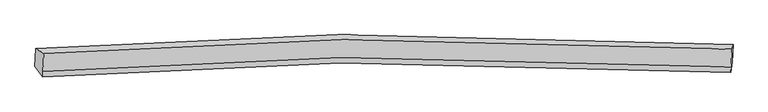
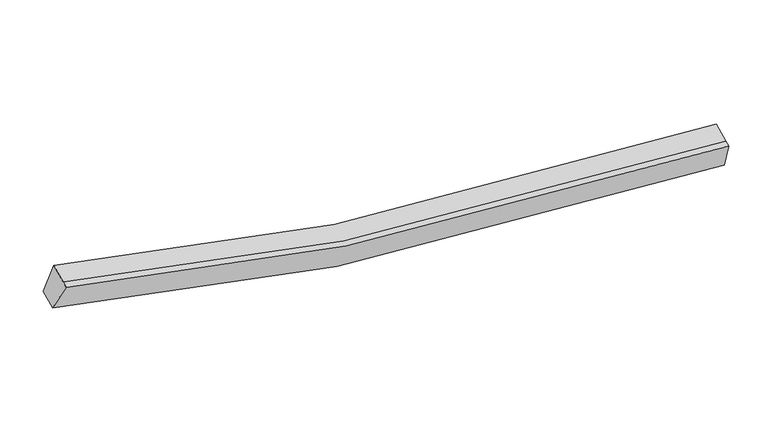
"""IFC4 building model written with IfcOpenShell, lengths in millimetres: proxy geometry."""

from ifc_helpers import new_model, si_unit, frame, origin, place, context, project, spatial, source, transform, mapped, element, save
from ifc_brep_helpers import plane_surface, spline_curve, spline_surface, advanced_brep


def generic_models_4b53236f(model_context):
    return source(origin(), model_context, "Body", "AdvancedBrep", [
        advanced_brep(
        [(-8195.5076106, -1870.6757988, 4160.7752526), (-8002.9335093, -1983.0787036, 4840.4587935), (8384.5840568, -1883.5046032, 2728.8560652), (8412.8820987, -1769.918726, 2016.6102343), (-8022.3004781, -2414.097945, 4674.502821), (8365.6677722, -2309.125482, 2558.1953096), (-8028.1658218, -2544.6333972, 4624.2425638), (8359.6056594, -2444.0401036, 2506.2489344), (-8214.569935, -2294.9150629, 3997.4297846), (8393.8197743, -2194.1579901, 1853.2647664)],
        [
            (0, 1),
            (1, 2, spline_curve(3, [(-8002.9335093, -1983.0787036, 4840.4587935), (-5663.087698882, -1798.767851995, 4123.283802872), (-3297.555819648, -1688.981557191, 3585.304170762), (2148.708980177, -1608.669027507, 2768.133090097), (5245.682957373, -1685.263956492, 2602.245145432), (8384.5840568, -1883.5046032, 2728.8560652)], [4, 2, 4], [0.0, 24.062958310129176, 54.80606355980204])),
            (2, 3),
            (3, 0, spline_curve(3, [(8412.8820987, -1769.918726, 2016.6102343), (5231.659813088, -1569.842594986, 1892.103641145), (2092.938078243, -1492.56586401, 2062.330828182), (-3426.728645099, -1573.719610136, 2891.221732476), (-5824.136813425, -1684.582033581, 3435.716218164), (-8195.5076106, -1870.6757988, 4160.7752526)], [4, 2, 4], [0.0, 30.743105249672865, 54.80606355980204])),
            (1, 4),
            (4, 5, spline_curve(3, [(-8022.3004781, -2414.097945, 4674.502821), (-5682.506294765, -2230.405483269, 3957.866770099), (-3316.974415512, -2120.619188183, 3419.887138051), (2129.407970921, -2038.898207432, 2601.488562081), (5226.532175134, -2113.69368082, 2434.032356639), (8365.6677722, -2309.125482, 2558.1953096)], [4, 2, 4], [0.0, 23.90246044366449, 54.44051182018184])),
            (5, 2),
            (4, 6),
            (6, 7, spline_curve(3, [(-8028.1658218, -2544.6333972, 4624.2425638), (-5688.349098082, -2360.439294962, 3907.799659595), (-3322.817219148, -2250.653000736, 3369.820027816), (2123.513829556, -2170.074560068, 2550.981538154), (5220.572443253, -2246.329757709, 2382.963293386), (8359.6056594, -2444.0401036, 2506.2489344)], [4, 2, 4], [0.0, 23.9028682774615, 54.441440707009164])),
            (7, 5),
            (6, 8),
            (8, 9, spline_curve(3, [(-8214.569935, -2294.9150629, 3997.4297846), (-5843.199138045, -2108.821297478, 3272.370749643), (-3445.790969119, -1997.958874465, 2727.876264421), (2073.875753585, -1916.805127817, 1898.985360253), (5212.597488478, -1994.081859336, 1728.758173993), (8393.8197743, -2194.1579901, 1853.2647664)], [4, 2, 4], [0.0, 24.063366361334495, 54.80699294180097])),
            (9, 7),
            (8, 0),
            (3, 9),
        ],
        [
            spline_surface(3, 3, [[(-8195.5076106, -1870.6757988, 4160.7752526), (-5824.136813307, -1684.582033202, 3435.716217986), (-3426.728645129, -1573.719610449, 2891.221732177), (2092.938078281, -1492.56586361, 2062.330828565), (5231.659813216, -1569.842595423, 1892.103641557), (8412.8820987, -1769.918726, 2016.6102343)], [(-8131.316243495, -1908.143433737, 4387.336432929), (-5770.453775225, -1722.643972686, 3664.905412959), (-3383.67103675, -1612.14025924, 3122.582545157), (2111.528379055, -1531.26691838, 2297.598248966), (5236.334194452, -1608.316382256, 2128.817476159), (8403.449418083, -1807.780685047, 2254.025511254)], [(-8067.124876405, -1945.611068663, 4613.897613171), (-5716.770737159, -1760.70591216, 3894.094607846), (-3340.613428365, -1650.560908057, 3353.943358082), (2130.118679835, -1569.967973176, 2532.865669311), (5241.008575639, -1646.790169147, 2365.531310798), (8394.016737417, -1845.642644153, 2491.440788246)], [(-8002.9335093, -1983.0787036, 4840.4587935), (-5663.087699077, -1798.767851644, 4123.283802819), (-3297.555819985, -1688.981556848, 3585.304171063), (2148.708980609, -1608.669027946, 2768.133089712), (5245.682956874, -1685.26395598, 2602.2451454), (8384.5840568, -1883.5046032, 2728.8560652)]], [4, 4], [4, 2, 4], [0.0, 2.3479901776626964], [0.0, 24.062958310129176, 54.80606355980204]),
            spline_surface(3, 3, [[(-8002.9335093, -1983.0787036, 4840.4587935), (-5663.087699077, -1798.767851644, 4123.283802819), (-3297.555819985, -1688.981556848, 3585.304171063), (2148.708980609, -1608.669027946, 2768.133089712), (5245.682956874, -1685.26395598, 2602.2451454), (8384.5840568, -1883.5046032, 2728.8560652)], [(-8009.389165552, -2126.751784045, 4785.140135982), (-5669.560564164, -1942.647062101, 4068.14479181), (-3304.028685072, -1832.860767305, 3530.165160054), (2142.275310556, -1752.078754376, 2712.584913801), (5239.299362838, -1828.073864354, 2546.174215822), (8378.278628594, -2025.378229478, 2671.969146684)], [(-8015.844821848, -2270.424864555, 4729.821478518), (-5676.033429294, -2086.526272624, 4013.005780855), (-3310.501550102, -1976.739977828, 3475.026149099), (2135.841640561, -1895.488480872, 2657.036737943), (5232.915768818, -1970.883772695, 2490.103286193), (8371.973200406, -2167.251855722, 2615.082228116)], [(-8022.3004781, -2414.097945, 4674.502821), (-5682.506294381, -2230.405483082, 3957.866769846), (-3316.974415189, -2120.619188286, 3419.88713809), (2129.407970509, -2038.898207302, 2601.488562031), (5226.532174781, -2113.69368107, 2434.032356615), (8365.6677722, -2309.125482, 2558.1953096)]], [4, 4], [4, 2, 4], [0.0, 1.5160366344760259], [0.0, 23.90246044366449, 54.44051182018184]),
            spline_surface(3, 3, [[(-8022.3004781, -2414.097945, 4674.502821), (-5682.506294381, -2230.405483082, 3957.866769846), (-3316.974415189, -2120.619188286, 3419.88713809), (2129.407970509, -2038.898207302, 2601.488562031), (5226.532174781, -2113.69368107, 2434.032356615), (8365.6677722, -2309.125482, 2558.1953096)], [(-8024.255592692, -2457.60976241, 4657.749401933), (-5684.453895584, -2273.750087151, 3941.177733178), (-3318.922016392, -2163.963792355, 3403.198101422), (2127.443256725, -2082.623658349, 2584.652887291), (5224.545597773, -2157.905706486, 2417.00933543), (8363.647067933, -2354.097022515, 2540.879851199)], [(-8026.210707208, -2501.12157979, 4640.995982867), (-5686.401496709, -2317.094691191, 3924.48869651), (-3320.869617617, -2207.308396395, 3386.509064754), (2125.478542919, -2126.349109368, 2567.81721255), (5222.559020765, -2202.117731956, 2399.986314248), (8361.626363667, -2399.068563085, 2523.564392801)], [(-8028.1658218, -2544.6333972, 4624.2425638), (-5688.349097912, -2360.43929526, 3907.799659842), (-3322.81721882, -2250.653000464, 3369.820028086), (2123.513829136, -2170.074560416, 2550.981537809), (5220.572443757, -2246.329757372, 2382.963293063), (8359.6056594, -2444.0401036, 2506.2489344)]], [4, 4], [4, 2, 4], [0.0, 0.460154641515096], [0.0, 23.9028682774615, 54.441440707009164]),
            spline_surface(3, 3, [[(-8028.1658218, -2544.6333972, 4624.2425638), (-5688.349097912, -2360.43929526, 3907.799659842), (-3322.81721882, -2250.653000464, 3369.820028086), (2123.513829136, -2170.074560416, 2550.981537809), (5220.572443757, -2246.329757372, 2382.963293063), (8359.6056594, -2444.0401036, 2506.2489344)], [(-8090.300526172, -2461.393952424, 4415.304970748), (-5739.965777815, -2276.566629265, 3695.990023237), (-3363.808469021, -2166.421625162, 3155.838773474), (2106.967804086, -2085.651416183, 2333.649478752), (5217.914125455, -2162.247124764, 2164.894919916), (8371.010364379, -2360.746065775, 2288.587545055)], [(-8152.435230628, -2378.154507676, 4206.367377652), (-5791.582457804, -2192.693963297, 3484.18038659), (-3404.799719228, -2082.190249851, 2941.857518789), (2090.421779031, -2001.228271942, 2116.317419622), (5215.255807118, -2078.164492131, 1946.826546804), (8382.415069321, -2277.452027925, 2070.926155745)], [(-8214.569935, -2294.9150629, 3997.4297846), (-5843.199137707, -2108.821297302, 3272.370749986), (-3445.790969429, -1997.958874549, 2727.876264177), (2073.875753981, -1916.80512771, 1898.985360565), (5212.597488816, -1994.081859523, 1728.758173657), (8393.8197743, -2194.1579901, 1853.2647664)]], [4, 4], [4, 2, 4], [0.0, 2.2965729307304343], [0.0, 24.063366361334495, 54.80699294180097]),
            spline_surface(3, 3, [[(-8214.569935, -2294.9150629, 3997.4297846), (-5843.199137707, -2108.821297302, 3272.370749986), (-3445.790969429, -1997.958874549, 2727.876264177), (2073.875753981, -1916.80512771, 1898.985360565), (5212.597488816, -1994.081859523, 1728.758173657), (8393.8197743, -2194.1579901, 1853.2647664)], [(-8208.215826889, -2153.501974885, 4051.878273908), (-5836.845029596, -1967.408209287, 3326.819239294), (-3439.436861318, -1856.545786534, 2782.324753485), (2080.229862092, -1775.392039695, 1953.433849873), (5218.951596927, -1852.668771508, 1783.206662965), (8400.173882411, -2052.744902085, 1907.713255708)], [(-8201.861718711, -2012.088886815, 4106.326763292), (-5830.490921418, -1825.995121217, 3381.267728678), (-3433.08275324, -1715.132698464, 2836.773242869), (2086.58397017, -1633.978951625, 2007.882339256), (5225.305705105, -1711.255683438, 1837.655152249), (8406.527990589, -1911.331814015, 1962.161744992)], [(-8195.5076106, -1870.6757988, 4160.7752526), (-5824.136813307, -1684.582033202, 3435.716217986), (-3426.728645129, -1573.719610449, 2891.221732177), (2092.938078281, -1492.56586361, 2062.330828565), (5231.659813216, -1569.842595423, 1892.103641557), (8412.8820987, -1769.918726, 2016.6102343)]], [4, 4], [4, 2, 4], [0.0, 1.4927787893967062], [0.0, 24.223863283804842, 55.17254253136909]),
            plane_surface(frame((8383.3118723, -2120.149381, 2332.635062), z_axis=(0.9979257445469821, -0.05662843717524352, 0.03061745373869567), x_axis=(0.048877307050816374, 0.3569744478228872, -0.9328345257638169))),
            plane_surface(frame((-8110.2942192, -2173.3257406, 4405.7265986), z_axis=(-0.9629816051110698, -0.05808414524924489, 0.26323499062315486), x_axis=(-0.041895312695019934, -0.9323960873494905, -0.3590018371395162))),
        ],
        [
            (0, [[1, 2, 3, 4]]),
            (1, [[5, 6, 7, -2]]),
            (2, [[8, 9, 10, -6]]),
            (3, [[11, 12, 13, -9]]),
            (4, [[14, -4, 15, -12]]),
            (5, [[-13, -15, -3, -7, -10]]),
            (6, [[-14, -11, -8, -5, -1]]),
        ],
    ),
    ])


if __name__ == "__main__":
    model = new_model("IFC4")
    model_context = context("Model", 3, world=origin())
    ifc_project = project(units=[si_unit("LENGTHUNIT", "METRE", prefix="MILLI")], contexts=[model_context])
    site = spatial("IfcSite", under=ifc_project)
    building = spatial("IfcBuilding", under=site)
    placement = place(None, origin())
    generic_models_shape = generic_models_4b53236f(model_context)
    element("IfcBuildingElementProxy", 1, Name="Generic Models", at=placement, inside=building, context=model_context, shape_type="MappedRepresentation", body=[
        mapped(generic_models_shape, transform((0.0, 0.0, 0.0), x_axis=(1.0, 0.0, 0.0), y_axis=(0.0, 1.0, 0.0), z_axis=(0.0, 0.0, 1.0))),
    ])
    save(model, "model.ifc")
